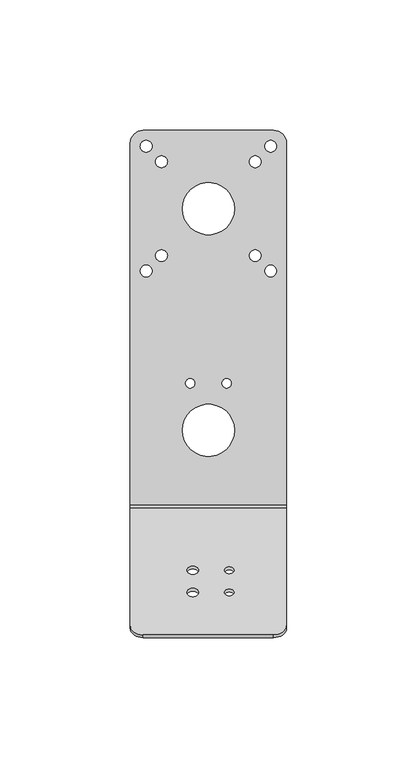
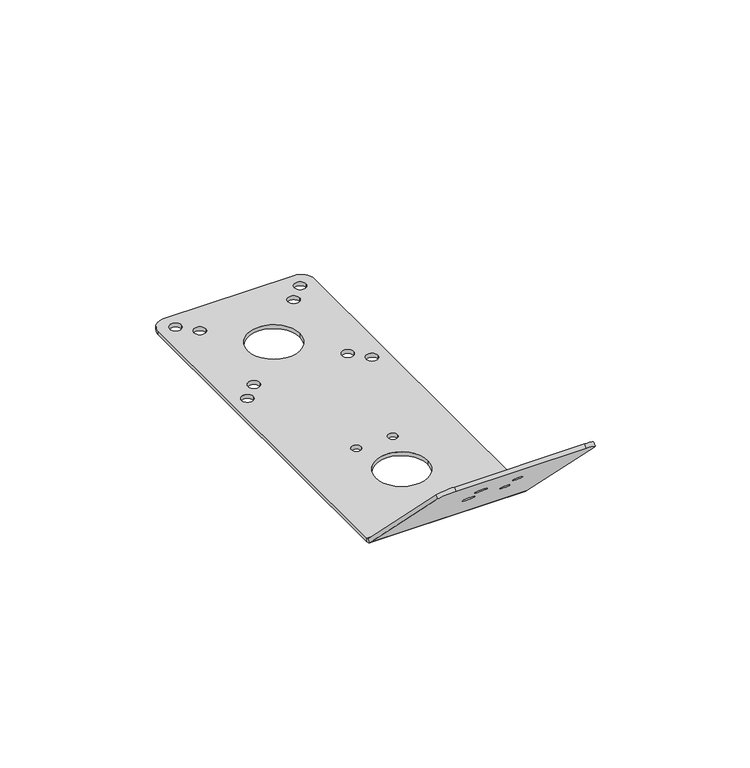
"""IFC4 building model written with IfcOpenShell, lengths in millimetres: proxy geometry."""

import ifcopenshell
import ifcopenshell.guid

model = None  # the IFC model being written
_history = None  # IfcOwnerHistory: only IFC2X3 demands one
_inside = {}  # id of a spatial element -> (the spatial element, [elements in it])
_under = {}  # id of a project, library or spatial element -> (it, [spatial elements below it])
_declared = {}  # id of a project -> (the project, [libraries it declares])
_typed = {}  # id of a type object -> (the type object, [elements of that type])
_made_of = {}  # id of a material, layer set ... -> (it, [elements and type objects made of it])


def new_model(schema):
    """Start an empty IFC model of exactly this schema.

    Asked for "IFC4X3", IfcOpenShell would pick the latest addendum, in which some entities
    have other attributes; the version numbers below select the first issue.
    IFC2X3 requires an IfcOwnerHistory on every rooted entity: one is made here for all.
    """
    global model, _history
    if schema == "IFC4X3":
        model = ifcopenshell.file(schema_version=(4, 3, 0, 0))
    else:
        model = ifcopenshell.file(schema=schema)
    _inside.clear()
    _under.clear()
    _declared.clear()
    _typed.clear()
    _made_of.clear()
    _history = None
    if model.schema == "IFC2X3":
        org = make("IfcOrganization", Name="unknown")
        user = make(
            "IfcPersonAndOrganization",
            ThePerson=make("IfcPerson", FamilyName="unknown"),
            TheOrganization=org,
        )
        app = make(
            "IfcApplication",
            ApplicationDeveloper=org,
            Version="unknown",
            ApplicationFullName="unknown",
            ApplicationIdentifier="unknown",
        )
        _history = make(
            "IfcOwnerHistory",
            OwningUser=user,
            OwningApplication=app,
            ChangeAction="ADDED",
            CreationDate=0,
        )
    return model


def make(cls, **values):
    """One entity of the class cls with the attributes given. An attribute that is None is left unset."""
    return model.create_entity(
        cls, **{name: value for name, value in values.items() if value is not None}
    )


def rooted(cls, **values):
    """An entity with a GlobalId (a new one), such as an element, a storey or a relation."""
    return make(cls, GlobalId=ifcopenshell.guid.new(), OwnerHistory=_history, **values)


def si_unit(unit_type, name, prefix=None):
    """IfcSIUnit, for example si_unit("LENGTHUNIT", "METRE", prefix="MILLI")."""
    return make("IfcSIUnit", UnitType=unit_type, Prefix=prefix, Name=name)


def assignment(units):
    """IfcUnitAssignment: the units of a project."""
    return None if units is None else make("IfcUnitAssignment", Units=units)


def point(xyz):
    """IfcCartesianPoint."""
    return None if xyz is None else make("IfcCartesianPoint", Coordinates=xyz)


def direction(xyz):
    """IfcDirection."""
    return None if xyz is None else make("IfcDirection", DirectionRatios=xyz)


def frame(location, z_axis=None, x_axis=None):
    """IfcAxis2Placement3D, a coordinate frame: its origin and axes. An axis left out is left unset."""
    return make(
        "IfcAxis2Placement3D",
        Location=point(location),
        Axis=direction(z_axis),
        RefDirection=direction(x_axis),
    )


def origin():
    """The frame at (0, 0, 0) with its axes left unset."""
    return frame((0.0, 0.0, 0.0))


def place(relative_to, where):
    """IfcLocalPlacement: puts the frame where relative to a parent placement (None: the world)."""
    return make(
        "IfcLocalPlacement", PlacementRelTo=relative_to, RelativePlacement=where
    )


def context(
    kind, dimensions, precision=None, world=None, true_north=None, identifier=None
):
    """IfcGeometricRepresentationContext, for example the 3D "Model" context."""
    return make(
        "IfcGeometricRepresentationContext",
        ContextIdentifier=identifier,
        ContextType=kind,
        CoordinateSpaceDimension=dimensions,
        Precision=precision,
        WorldCoordinateSystem=world,
        TrueNorth=true_north,
    )


def project(units=None, contexts=None):
    """IfcProject with its units and contexts."""
    return rooted(
        "IfcProject",
        Name="project",
        RepresentationContexts=contexts,
        UnitsInContext=assignment(units),
    )


def spatial(cls, under=None, at=None, **own):
    """A site, building, storey or space (cls), placed at a placement, below another one or the project."""
    s = rooted(cls, ObjectPlacement=at, **own)
    if under is not None:
        _under.setdefault(under.id(), (under, []))[1].append(s)
    return s


def polyline(points):
    """IfcPolyline through the points."""
    return make("IfcPolyline", Points=[point(p) for p in points])


def circle_curve(where, radius):
    """IfcCircle in the frame where."""
    return make("IfcCircle", Position=where, Radius=radius)


def shape(context_of_items, identifier, shape_type, items):
    """IfcShapeRepresentation: the items that make up one representation, for example the "Body"."""
    return make(
        "IfcShapeRepresentation",
        ContextOfItems=context_of_items,
        RepresentationIdentifier=identifier,
        RepresentationType=shape_type,
        Items=items,
    )


def source(mapping_origin, context_of_items, identifier, shape_type, items):
    """IfcRepresentationMap: a shape defined once, which mapped items show again and again."""
    return make(
        "IfcRepresentationMap",
        MappingOrigin=mapping_origin,
        MappedRepresentation=shape(context_of_items, identifier, shape_type, items),
    )


def transform(
    local_origin,
    x_axis=None,
    y_axis=None,
    z_axis=None,
    scale=None,
    scale2=None,
    scale3=None,
    uniform=True,
):
    """IfcCartesianTransformationOperator3D, or its non-uniform kind. x_axis, y_axis, z_axis: its Axis1, 2, 3."""
    if uniform:
        return make(
            "IfcCartesianTransformationOperator3D",
            Axis1=direction(x_axis),
            Axis2=direction(y_axis),
            LocalOrigin=point(local_origin),
            Scale=scale,
            Axis3=direction(z_axis),
        )
    return make(
        "IfcCartesianTransformationOperator3DnonUniform",
        Axis1=direction(x_axis),
        Axis2=direction(y_axis),
        LocalOrigin=point(local_origin),
        Scale=scale,
        Axis3=direction(z_axis),
        Scale2=scale2,
        Scale3=scale3,
    )


def mapped(mapping_source, mapping_target):
    """IfcMappedItem: shows the shape of a source again, moved by a transform."""
    return make(
        "IfcMappedItem", MappingSource=mapping_source, MappingTarget=mapping_target
    )


def made_of(thing, what):
    """Note that an element or type object is made of a material, layer set ...; save() writes the relation."""
    if what is not None:
        _made_of.setdefault(what.id(), (what, []))[1].append(thing)
    return thing


def element(
    cls,
    number,
    at=None,
    inside=None,
    cuts=None,
    type_object=None,
    material=None,
    context=None,
    identifier="Body",
    shape_type=None,
    held_by="IfcProductDefinitionShape",
    body=None,
    shapes=None,
    **own,
):
    """One element of the class cls, such as IfcWall. Its Tag is "e" and its number.

    at: its placement. inside: the storey or other place that contains it. cuts: it is an
    opening in that element (IfcRelVoidsElement). A single representation is given by context,
    identifier, shape_type and body (its items); several are given by shapes. held_by: the class
    of the entity that holds the representations. save() writes the other relations.
    """
    e = rooted(cls, Tag="e%d" % number, ObjectPlacement=at, **own)
    if body is not None:
        shapes = [shape(context, identifier, shape_type, body)]
    if shapes is not None:
        e.Representation = make(held_by, Representations=shapes)
    if inside is not None:
        _inside.setdefault(inside.id(), (inside, []))[1].append(e)
    if cuts is not None:
        rooted(
            "IfcRelVoidsElement", RelatingBuildingElement=cuts, RelatedOpeningElement=e
        )
    if type_object is not None:
        _typed.setdefault(type_object.id(), (type_object, []))[1].append(e)
    return made_of(e, material)


def aggregate(whole, parts):
    """IfcRelAggregates: a whole, such as a stair, and the parts it consists of."""
    return rooted("IfcRelAggregates", RelatingObject=whole, RelatedObjects=parts)


def save(model, path):
    """Write the relations noted so far, then the file.

    IfcRelAggregates (storeys below a building ...), IfcRelContainedInSpatialStructure (elements
    in a storey), IfcRelDefinesByType, IfcRelAssociatesMaterial and IfcRelDeclares: one each for
    every whole, place, type object, material and project.
    """
    for whole, parts in _under.values():
        aggregate(whole, parts)
    for where, things in _inside.values():
        rooted(
            "IfcRelContainedInSpatialStructure",
            RelatedElements=things,
            RelatingStructure=where,
        )
    for kind, things in _typed.values():
        rooted("IfcRelDefinesByType", RelatedObjects=things, RelatingType=kind)
    for what, things in _made_of.values():
        rooted("IfcRelAssociatesMaterial", RelatedObjects=things, RelatingMaterial=what)
    for by, libraries in _declared.values():
        rooted("IfcRelDeclares", RelatingContext=by, RelatedDefinitions=libraries)
    model.write(path)


def plane_surface(at):
    """IfcPlane: the flat surface through the origin of the frame at, square to its z axis."""
    return make("IfcPlane", Position=at)


def cylinder_surface(at, radius):
    """IfcCylindricalSurface: all points at the distance radius from the z axis of the frame at."""
    return make("IfcCylindricalSurface", Position=at, Radius=radius)


def revolved_surface(curve, axis_point, axis_direction):
    """IfcSurfaceOfRevolution: the curve turned about the line through axis_point along axis_direction."""
    return make(
        "IfcSurfaceOfRevolution",
        SweptCurve=make("IfcArbitraryOpenProfileDef", ProfileType="CURVE", Curve=curve),
        AxisPosition=make("IfcAxis1Placement", Location=point(axis_point), Axis=direction(axis_direction)),
    )


def advanced_brep(points, edges, surfaces, faces):
    """IfcAdvancedBrep: a solid bounded by faces that lie on surfaces and meet in shared edges.

    An edge is (start, end): straight between two places in points (the first is 0);
    or (start, end, curve); or (start, end, curve, False) where it runs against its curve.
    A face is (place in surfaces, loops), or (place, loops, False) where it looks against
    its surface's normal. A loop lists edges by number (the first is 1), with a minus sign
    where the edge is run from its end to its start. The first loop is the outer one.
    """
    corners = [point(p) for p in points]
    vertices = [make("IfcVertexPoint", VertexGeometry=c) for c in corners]
    made = []
    for start, end, *more in edges:
        made.append(
            make(
                "IfcEdgeCurve",
                EdgeStart=vertices[start],
                EdgeEnd=vertices[end],
                EdgeGeometry=more[0] if more else make("IfcPolyline", Points=[corners[start], corners[end]]),
                SameSense=more[1] if len(more) > 1 else True,
            )
        )
    hull = []
    for where, loops, *sense in faces:
        bounds = []
        for j, loop in enumerate(loops):
            ring = [make("IfcOrientedEdge", EdgeElement=made[abs(k) - 1], Orientation=k > 0) for k in loop]
            bounds.append(
                make(
                    "IfcFaceOuterBound" if j == 0 else "IfcFaceBound",
                    Bound=make("IfcEdgeLoop", EdgeList=ring),
                    Orientation=True,
                )
            )
        hull.append(make("IfcAdvancedFace", Bounds=bounds, FaceSurface=surfaces[where], SameSense=sense[0] if sense else True))
    return make("IfcAdvancedBrep", Outer=make("IfcClosedShell", CfsFaces=hull))


def generic_models_19bd713d(model_context):
    return source(origin(), model_context, "Body", "AdvancedBrep", [
        advanced_brep(
        [(-8.8, 18.0, 1.5), (-8.8, 18.0, 0.0), (-5.2, 18.0, 0.0), (-5.2, 18.0, 1.5), (5.2, 18.0, 1.5), (5.2, 18.0, 0.0), (8.8, 18.0, 0.0), (8.8, 18.0, 1.5), (-20.25, 103.0, 1.5), (-20.25, 103.0, 0.0), (-15.75, 103.0, 0.0), (-15.75, 103.0, 1.5), (15.75, 103.0, 1.5), (15.75, 103.0, 0.0), (20.25, 103.0, 0.0), (20.25, 103.0, 1.5), (15.75, 67.0, 1.5), (15.75, 67.0, 0.0), (20.25, 67.0, 0.0), (20.25, 67.0, 1.5), (-20.25, 67.0, 1.5), (-20.25, 67.0, 0.0), (-15.75, 67.0, 0.0), (-15.75, 67.0, 1.5), (-26.15, 108.9, 1.5), (-26.15, 108.9, 0.0), (-21.65, 108.9, 0.0), (-21.65, 108.9, 1.5), (21.65, 108.9, 1.5), (21.65, 108.9, 0.0), (26.15, 108.9, 0.0), (26.15, 108.9, 1.5), (21.65, 61.1, 1.5), (21.65, 61.1, 0.0), (26.15, 61.1, 0.0), (26.15, 61.1, 1.5), (-26.15, 61.1, 1.5), (-26.15, 61.1, 0.0), (-21.65, 61.1, 0.0), (-21.65, 61.1, 1.5), (-10.0, 0.0, 1.5), (-10.0, 0.0, 0.0), (10.0, 0.0, 0.0), (10.0, 0.0, 1.5), (-10.0, 85.0, 1.5), (-10.0, 85.0, 0.0), (10.0, 85.0, 0.0), (10.0, 85.0, 1.5), (-8.25, -54.7487373, 24.7487373), (-8.25, -53.6880772, 25.8093975), (-3.75, -53.6880772, 25.8093975), (-3.75, -54.7487373, 24.7487373), (6.2, -54.7487373, 24.7487373), (6.2, -53.6880772, 25.8093975), (9.8, -53.6880772, 25.8093975), (9.8, -54.7487373, 24.7487373), (-8.25, -63.2340187, 33.2340187), (-8.25, -62.1733585, 34.2946789), (-3.75, -62.1733585, 34.2946789), (-3.75, -63.2340187, 33.2340187), (6.2, -63.2340187, 33.2340187), (6.2, -62.1733585, 34.2946789), (9.8, -62.1733585, 34.2946789), (9.8, -63.2340187, 33.2340187), (25.0, -79.4974747, 49.4974747), (30.0, -75.9619408, 45.9619408), (30.0, -74.9012806, 47.0226009), (25.0, -78.4368145, 50.5581349), (-25.0, -78.4368145, 50.5581349), (-25.0, -79.4974747, 49.4974747), (30.0, -29.8180195, 1.9393398), (-30.0, -29.8180195, 1.9393398), (-30.0, -74.9012806, 47.0226009), (-30.0, -75.9619408, 45.9619408), (-30.0, -30.8786797, 0.8786797), (30.0, -30.8786797, 0.8786797), (-30.0, -28.7573593, 0.0), (30.0, -28.7573593, 0.0), (-30.0, -28.7573593, 1.5), (30.0, -28.7573593, 1.5), (30.0, 110.0, 1.5), (25.0, 115.0, 1.5), (-25.0, 115.0, 1.5), (-30.0, 110.0, 1.5), (30.0, 110.0, 0.0), (25.0, 115.0, 0.0), (-25.0, 115.0, 0.0), (-30.0, 110.0, 0.0)],
        [
            (0, 1),
            (1, 2, circle_curve(frame((-7.0, 18.0, 0.0), z_axis=(0.0, 0.0, -1.0), x_axis=(-1.0, 0.0, 0.0)), 1.8)),
            (2, 3),
            (3, 0, circle_curve(frame((-7.0, 18.0, 1.5), z_axis=(0.0, 0.0, 1.0), x_axis=(-1.0, 0.0, 0.0)), 1.8)),
            (4, 5),
            (5, 6, circle_curve(frame((7.0, 18.0, 0.0), z_axis=(0.0, 0.0, -1.0), x_axis=(-1.0, 0.0, 0.0)), 1.8)),
            (6, 7),
            (7, 4, circle_curve(frame((7.0, 18.0, 1.5), z_axis=(0.0, 0.0, 1.0), x_axis=(-1.0, 0.0, 0.0)), 1.8)),
            (8, 9),
            (9, 10, circle_curve(frame((-18.0, 103.0, 0.0), z_axis=(0.0, 0.0, -1.0), x_axis=(-1.0, 0.0, 0.0)), 2.25)),
            (10, 11),
            (11, 8, circle_curve(frame((-18.0, 103.0, 1.5), z_axis=(0.0, 0.0, 1.0), x_axis=(-1.0, 0.0, 0.0)), 2.25)),
            (12, 13),
            (13, 14, circle_curve(frame((18.0, 103.0, 0.0), z_axis=(0.0, 0.0, -1.0), x_axis=(-1.0, 0.0, 0.0)), 2.25)),
            (14, 15),
            (15, 12, circle_curve(frame((18.0, 103.0, 1.5), z_axis=(0.0, 0.0, 1.0), x_axis=(-1.0, 0.0, 0.0)), 2.25)),
            (16, 17),
            (17, 18, circle_curve(frame((18.0, 67.0, 0.0), z_axis=(0.0, 0.0, -1.0), x_axis=(-1.0, 0.0, 0.0)), 2.25)),
            (18, 19),
            (19, 16, circle_curve(frame((18.0, 67.0, 1.5), z_axis=(0.0, 0.0, 1.0), x_axis=(-1.0, 0.0, 0.0)), 2.25)),
            (20, 21),
            (21, 22, circle_curve(frame((-18.0, 67.0, 0.0), z_axis=(0.0, 0.0, -1.0), x_axis=(-1.0, 0.0, 0.0)), 2.25)),
            (22, 23),
            (23, 20, circle_curve(frame((-18.0, 67.0, 1.5), z_axis=(0.0, 0.0, 1.0), x_axis=(-1.0, 0.0, 0.0)), 2.25)),
            (24, 25),
            (25, 26, circle_curve(frame((-23.9, 108.9, 0.0), z_axis=(0.0, 0.0, -1.0), x_axis=(-1.0, 0.0, 0.0)), 2.25)),
            (26, 27),
            (27, 24, circle_curve(frame((-23.9, 108.9, 1.5), z_axis=(0.0, 0.0, 1.0), x_axis=(-1.0, 0.0, 0.0)), 2.25)),
            (28, 29),
            (29, 30, circle_curve(frame((23.9, 108.9, 0.0), z_axis=(0.0, 0.0, -1.0), x_axis=(-1.0, 0.0, 0.0)), 2.25)),
            (30, 31),
            (31, 28, circle_curve(frame((23.9, 108.9, 1.5), z_axis=(0.0, 0.0, 1.0), x_axis=(-1.0, 0.0, 0.0)), 2.25)),
            (32, 33),
            (33, 34, circle_curve(frame((23.9, 61.1, 0.0), z_axis=(0.0, 0.0, -1.0), x_axis=(-1.0, 0.0, 0.0)), 2.25)),
            (34, 35),
            (35, 32, circle_curve(frame((23.9, 61.1, 1.5), z_axis=(0.0, 0.0, 1.0), x_axis=(-1.0, 0.0, 0.0)), 2.25)),
            (36, 37),
            (37, 38, circle_curve(frame((-23.9, 61.1, 0.0), z_axis=(0.0, 0.0, -1.0), x_axis=(-1.0, 0.0, 0.0)), 2.25)),
            (38, 39),
            (39, 36, circle_curve(frame((-23.9, 61.1, 1.5), z_axis=(0.0, 0.0, 1.0), x_axis=(-1.0, 0.0, 0.0)), 2.25)),
            (40, 41),
            (41, 42, circle_curve(frame((0.0, 0.0, 0.0), z_axis=(0.0, 0.0, -1.0), x_axis=(-1.0, 0.0, 0.0)), 10.0)),
            (42, 43),
            (43, 40, circle_curve(frame((0.0, 0.0, 1.5), z_axis=(0.0, 0.0, 1.0), x_axis=(-1.0, 0.0, 0.0)), 10.0)),
            (44, 45),
            (45, 46, circle_curve(frame((0.0, 85.0, 0.0), z_axis=(0.0, 0.0, -1.0), x_axis=(-1.0, 0.0, 0.0)), 10.0)),
            (46, 47),
            (47, 44, circle_curve(frame((0.0, 85.0, 1.5), z_axis=(0.0, 0.0, 1.0), x_axis=(-1.0, 0.0, 0.0)), 10.0)),
            (48, 49),
            (49, 50, circle_curve(frame((-6.0, -53.6880772, 25.8093975), z_axis=(0.0, 0.7071067811865505, 0.7071067811865446), x_axis=(-1.0, 0.0, 0.0)), 2.25)),
            (50, 51),
            (51, 48, circle_curve(frame((-6.0, -54.7487373, 24.7487373), z_axis=(0.0, -0.7071067811865505, -0.7071067811865446), x_axis=(-1.0, 0.0, 0.0)), 2.25)),
            (52, 53),
            (53, 54, circle_curve(frame((8.0, -53.6880772, 25.8093975), z_axis=(0.0, 0.7071067811865505, 0.7071067811865446), x_axis=(-1.0, 0.0, 0.0)), 1.8)),
            (54, 55),
            (55, 52, circle_curve(frame((8.0, -54.7487373, 24.7487373), z_axis=(0.0, -0.7071067811865505, -0.7071067811865446), x_axis=(-1.0, 0.0, 0.0)), 1.8)),
            (56, 57),
            (57, 58, circle_curve(frame((-6.0, -62.1733585, 34.2946789), z_axis=(0.0, 0.7071067811865505, 0.7071067811865446), x_axis=(-1.0, 0.0, 0.0)), 2.25)),
            (58, 59),
            (59, 56, circle_curve(frame((-6.0, -63.2340187, 33.2340187), z_axis=(0.0, -0.7071067811865505, -0.7071067811865446), x_axis=(-1.0, 0.0, 0.0)), 2.25)),
            (60, 61),
            (61, 62, circle_curve(frame((8.0, -62.1733585, 34.2946789), z_axis=(0.0, 0.7071067811865505, 0.7071067811865446), x_axis=(-1.0, 0.0, 0.0)), 1.8)),
            (62, 63),
            (63, 60, circle_curve(frame((8.0, -63.2340187, 33.2340187), z_axis=(0.0, -0.7071067811865505, -0.7071067811865446), x_axis=(-1.0, 0.0, 0.0)), 1.8)),
            (60, 63, circle_curve(frame((8.0, -63.2340187, 33.2340187), z_axis=(0.0, -0.7071067811865505, -0.7071067811865446), x_axis=(-1.0, 0.0, 0.0)), 1.8)),
            (62, 61, circle_curve(frame((8.0, -62.1733585, 34.2946789), z_axis=(0.0, 0.7071067811865505, 0.7071067811865446), x_axis=(-1.0, 0.0, 0.0)), 1.8)),
            (56, 59, circle_curve(frame((-6.0, -63.2340187, 33.2340187), z_axis=(0.0, -0.7071067811865505, -0.7071067811865446), x_axis=(-1.0, 0.0, 0.0)), 2.25)),
            (58, 57, circle_curve(frame((-6.0, -62.1733585, 34.2946789), z_axis=(0.0, 0.7071067811865505, 0.7071067811865446), x_axis=(-1.0, 0.0, 0.0)), 2.25)),
            (52, 55, circle_curve(frame((8.0, -54.7487373, 24.7487373), z_axis=(0.0, -0.7071067811865505, -0.7071067811865446), x_axis=(-1.0, 0.0, 0.0)), 1.8)),
            (54, 53, circle_curve(frame((8.0, -53.6880772, 25.8093975), z_axis=(0.0, 0.7071067811865505, 0.7071067811865446), x_axis=(-1.0, 0.0, 0.0)), 1.8)),
            (48, 51, circle_curve(frame((-6.0, -54.7487373, 24.7487373), z_axis=(0.0, -0.7071067811865505, -0.7071067811865446), x_axis=(-1.0, 0.0, 0.0)), 2.25)),
            (50, 49, circle_curve(frame((-6.0, -53.6880772, 25.8093975), z_axis=(0.0, 0.7071067811865505, 0.7071067811865446), x_axis=(-1.0, 0.0, 0.0)), 2.25)),
            (64, 65, circle_curve(frame((25.0, -75.9619408, 45.9619408), z_axis=(0.0, 0.7071067811865493, 0.7071067811865457), x_axis=(0.7071067811865472, -0.49999999999999883, 0.5000000000000013)), 5.0)),
            (65, 66),
            (66, 67, circle_curve(frame((25.0, -74.9012806, 47.0226009), z_axis=(0.0, -0.7071067811865493, -0.7071067811865457), x_axis=(0.7071067811865472, -0.49999999999999883, 0.5000000000000013)), 5.0)),
            (67, 64),
            (67, 68),
            (68, 69),
            (69, 64),
            (66, 70),
            (70, 71),
            (71, 72),
            (72, 68, circle_curve(frame((-25.0, -74.9012806, 47.0226009), z_axis=(0.0, 0.7071067811865493, 0.7071067811865457), x_axis=(-0.7071067811865472, -0.49999999999999883, 0.5000000000000013)), 5.0)),
            (73, 69, circle_curve(frame((-25.0, -75.9619408, 45.9619408), z_axis=(0.0, 0.7071067811865493, 0.7071067811865457), x_axis=(-0.7071067811865472, -0.49999999999999883, 0.5000000000000013)), 5.0)),
            (72, 73),
            (71, 74),
            (74, 73),
            (75, 74),
            (74, 76, circle_curve(frame((-30.0, -28.7573593, 3.0), z_axis=(1.0, 0.0, 0.0), x_axis=(0.0, 0.0, -1.0)), 3.0)),
            (76, 77),
            (77, 75, circle_curve(frame((30.0, -28.7573593, 3.0), z_axis=(-1.0, 0.0, 0.0), x_axis=(0.0, 0.0, -1.0)), 3.0)),
            (65, 75),
            (75, 70),
            (71, 78, circle_curve(frame((-30.0, -28.7573593, 3.0), z_axis=(1.0, 0.0, 0.0), x_axis=(0.0, 0.0, -1.0)), 1.5)),
            (78, 76),
            (77, 79),
            (79, 70, circle_curve(frame((30.0, -28.7573593, 3.0), z_axis=(-1.0, 0.0, 0.0), x_axis=(0.0, 0.0, -1.0)), 1.5)),
            (79, 78),
            (79, 80),
            (80, 81, circle_curve(frame((25.0, 110.0, 1.5), z_axis=(0.0, 0.0, 1.0), x_axis=(0.7071067811865475, 0.7071067811865475, 0.0)), 5.0)),
            (81, 82),
            (82, 83, circle_curve(frame((-25.0, 110.0, 1.5), z_axis=(0.0, 0.0, 1.0), x_axis=(-0.7071067811865475, 0.7071067811865475, 0.0)), 5.0)),
            (83, 78),
            (3, 0, circle_curve(frame((-7.0, 18.0, 1.5), z_axis=(0.0, 0.0, -1.0), x_axis=(-1.0, 0.0, 0.0)), 1.8)),
            (7, 4, circle_curve(frame((7.0, 18.0, 1.5), z_axis=(0.0, 0.0, -1.0), x_axis=(-1.0, 0.0, 0.0)), 1.8)),
            (11, 8, circle_curve(frame((-18.0, 103.0, 1.5), z_axis=(0.0, 0.0, -1.0), x_axis=(-1.0, 0.0, 0.0)), 2.25)),
            (15, 12, circle_curve(frame((18.0, 103.0, 1.5), z_axis=(0.0, 0.0, -1.0), x_axis=(-1.0, 0.0, 0.0)), 2.25)),
            (19, 16, circle_curve(frame((18.0, 67.0, 1.5), z_axis=(0.0, 0.0, -1.0), x_axis=(-1.0, 0.0, 0.0)), 2.25)),
            (23, 20, circle_curve(frame((-18.0, 67.0, 1.5), z_axis=(0.0, 0.0, -1.0), x_axis=(-1.0, 0.0, 0.0)), 2.25)),
            (27, 24, circle_curve(frame((-23.9, 108.9, 1.5), z_axis=(0.0, 0.0, -1.0), x_axis=(-1.0, 0.0, 0.0)), 2.25)),
            (31, 28, circle_curve(frame((23.9, 108.9, 1.5), z_axis=(0.0, 0.0, -1.0), x_axis=(-1.0, 0.0, 0.0)), 2.25)),
            (35, 32, circle_curve(frame((23.9, 61.1, 1.5), z_axis=(0.0, 0.0, -1.0), x_axis=(-1.0, 0.0, 0.0)), 2.25)),
            (39, 36, circle_curve(frame((-23.9, 61.1, 1.5), z_axis=(0.0, 0.0, -1.0), x_axis=(-1.0, 0.0, 0.0)), 2.25)),
            (43, 40, circle_curve(frame((0.0, 0.0, 1.5), z_axis=(0.0, 0.0, -1.0), x_axis=(-1.0, 0.0, 0.0)), 10.0)),
            (47, 44, circle_curve(frame((0.0, 85.0, 1.5), z_axis=(0.0, 0.0, -1.0), x_axis=(-1.0, 0.0, 0.0)), 10.0)),
            (80, 84),
            (84, 85, circle_curve(frame((25.0, 110.0, 0.0), z_axis=(0.0, 0.0, 1.0), x_axis=(0.7071067811865475, 0.7071067811865475, 0.0)), 5.0)),
            (85, 81),
            (77, 84),
            (82, 86),
            (86, 87, circle_curve(frame((-25.0, 110.0, 0.0), z_axis=(0.0, 0.0, 1.0), x_axis=(-0.7071067811865475, 0.7071067811865475, 0.0)), 5.0)),
            (87, 83),
            (87, 76),
            (46, 45, circle_curve(frame((0.0, 85.0, 0.0), z_axis=(0.0, 0.0, -1.0), x_axis=(-1.0, 0.0, 0.0)), 10.0)),
            (42, 41, circle_curve(frame((0.0, 0.0, 0.0), z_axis=(0.0, 0.0, -1.0), x_axis=(-1.0, 0.0, 0.0)), 10.0)),
            (38, 37, circle_curve(frame((-23.9, 61.1, 0.0), z_axis=(0.0, 0.0, -1.0), x_axis=(-1.0, 0.0, 0.0)), 2.25)),
            (34, 33, circle_curve(frame((23.9, 61.1, 0.0), z_axis=(0.0, 0.0, -1.0), x_axis=(-1.0, 0.0, 0.0)), 2.25)),
            (30, 29, circle_curve(frame((23.9, 108.9, 0.0), z_axis=(0.0, 0.0, -1.0), x_axis=(-1.0, 0.0, 0.0)), 2.25)),
            (26, 25, circle_curve(frame((-23.9, 108.9, 0.0), z_axis=(0.0, 0.0, -1.0), x_axis=(-1.0, 0.0, 0.0)), 2.25)),
            (22, 21, circle_curve(frame((-18.0, 67.0, 0.0), z_axis=(0.0, 0.0, -1.0), x_axis=(-1.0, 0.0, 0.0)), 2.25)),
            (18, 17, circle_curve(frame((18.0, 67.0, 0.0), z_axis=(0.0, 0.0, -1.0), x_axis=(-1.0, 0.0, 0.0)), 2.25)),
            (14, 13, circle_curve(frame((18.0, 103.0, 0.0), z_axis=(0.0, 0.0, -1.0), x_axis=(-1.0, 0.0, 0.0)), 2.25)),
            (10, 9, circle_curve(frame((-18.0, 103.0, 0.0), z_axis=(0.0, 0.0, -1.0), x_axis=(-1.0, 0.0, 0.0)), 2.25)),
            (6, 5, circle_curve(frame((7.0, 18.0, 0.0), z_axis=(0.0, 0.0, -1.0), x_axis=(-1.0, 0.0, 0.0)), 1.8)),
            (2, 1, circle_curve(frame((-7.0, 18.0, 0.0), z_axis=(0.0, 0.0, -1.0), x_axis=(-1.0, 0.0, 0.0)), 1.8)),
            (85, 86),
        ],
        [
            revolved_surface(polyline([(-8.8, 18.0, 1.5), (-8.8, 18.0, 0.0)]), (-7.0, 18.0, 0.0), (0.0, 0.0, 1.0)),
            revolved_surface(polyline([(5.2, 18.0, 1.5), (5.2, 18.0, 0.0)]), (7.0, 18.0, 0.0), (0.0, 0.0, 1.0)),
            revolved_surface(polyline([(-20.25, 103.0, 1.5), (-20.25, 103.0, 0.0)]), (-18.0, 103.0, 0.0), (0.0, 0.0, 1.0)),
            revolved_surface(polyline([(15.75, 103.0, 1.5), (15.75, 103.0, 0.0)]), (18.0, 103.0, 0.0), (0.0, 0.0, 1.0)),
            revolved_surface(polyline([(15.75, 67.0, 1.5), (15.75, 67.0, 0.0)]), (18.0, 67.0, 0.0), (0.0, 0.0, 1.0)),
            revolved_surface(polyline([(-20.25, 67.0, 1.5), (-20.25, 67.0, 0.0)]), (-18.0, 67.0, 0.0), (0.0, 0.0, 1.0)),
            revolved_surface(polyline([(-26.15, 108.9, 1.5), (-26.15, 108.9, 0.0)]), (-23.9, 108.9, 0.0), (0.0, 0.0, 1.0)),
            revolved_surface(polyline([(21.65, 108.9, 1.5), (21.65, 108.9, 0.0)]), (23.9, 108.9, 0.0), (0.0, 0.0, 1.0)),
            revolved_surface(polyline([(21.65, 61.1, 1.5), (21.65, 61.1, 0.0)]), (23.9, 61.1, 0.0), (0.0, 0.0, 1.0)),
            revolved_surface(polyline([(-26.15, 61.1, 1.5), (-26.15, 61.1, 0.0)]), (-23.9, 61.1, 0.0), (0.0, 0.0, 1.0)),
            revolved_surface(polyline([(-10.0, 0.0, 1.5), (-10.0, 0.0, 0.0)]), (0.0, 0.0, 0.0), (0.0, 0.0, 1.0)),
            revolved_surface(polyline([(-10.0, 85.0, 1.5), (-10.0, 85.0, 0.0)]), (0.0, 85.0, 0.0), (0.0, 0.0, 1.0)),
            revolved_surface(polyline([(-8.25, -54.748737350000006, 24.748737350000003), (-8.25, -53.6880772, 25.8093975)]), (-6.0, -53.6880772, 25.8093975), (0.0, -0.7071067811865505, -0.7071067811865446)),
            revolved_surface(polyline([(6.2, -54.748737350000006, 24.748737350000003), (6.2, -53.6880772, 25.8093975)]), (8.0, -53.6880772, 25.8093975), (0.0, -0.7071067811865505, -0.7071067811865446)),
            revolved_surface(polyline([(-8.25, -63.23401870000001, 33.23401870000001), (-8.25, -62.1733585, 34.2946789)]), (-6.0, -62.1733585, 34.2946789), (0.0, -0.7071067811865505, -0.7071067811865446)),
            revolved_surface(polyline([(6.2, -63.23401870000001, 33.23401870000001), (6.2, -62.1733585, 34.2946789)]), (8.0, -62.1733585, 34.2946789), (0.0, -0.7071067811865505, -0.7071067811865446)),
            cylinder_surface(frame((25.0, -74.9012806, 47.0226009), z_axis=(0.0, -0.7071067811865492, -0.7071067811865456), x_axis=(0.7071067811865472, -0.49999999999999883, 0.5000000000000013)), 5.0),
            plane_surface(frame((-30.0, -78.4368145, 50.5581349), z_axis=(0.0, -0.7071067811865457, 0.7071067811865493), x_axis=(0.0, -0.7071067811865493, -0.7071067811865457))),
            plane_surface(frame((0.0, -53.5276278, 25.6489481), z_axis=(0.0, 0.7071067811865493, 0.7071067811865457), x_axis=(1.0, 0.0, 0.0))),
            cylinder_surface(frame((-25.0, -74.9012806, 47.0226009), z_axis=(0.0, -0.7071067811865492, -0.7071067811865456), x_axis=(-0.7071067811865472, -0.49999999999999883, 0.5000000000000013)), 5.0),
            plane_surface(frame((-30.0, -29.8180195, 1.9393398), z_axis=(-1.0, 0.0, 0.0), x_axis=(0.0, 0.7071067811865493, 0.7071067811865457))),
            cylinder_surface(frame((0.0, -28.7573593, 3.0), z_axis=(-1.0, 0.0, 0.0), x_axis=(0.0, 0.0, -1.0)), 3.0),
            plane_surface(frame((30.0, -29.8180195, 1.9393398), z_axis=(1.0, 0.0, 0.0), x_axis=(0.0, -0.7071067811865493, -0.7071067811865457))),
            plane_surface(frame((-30.0, -29.8180195, 1.9393398), z_axis=(-1.0, 0.0, 0.0), x_axis=(0.0, 0.0, 1.0))),
            plane_surface(frame((30.0, -30.8786797, 0.8786797), z_axis=(1.0, 0.0, 0.0), x_axis=(0.0, 0.0, -1.0))),
            plane_surface(frame((0.0, -54.588288, 24.588288), z_axis=(0.0, -0.7071067811865493, -0.7071067811865457), x_axis=(1.0, 0.0, 0.0))),
            revolved_surface(polyline([(-30.0, -28.7573593, 1.5), (30.0, -28.7573593, 1.5)]), (0.0, -28.7573593, 3.0), (-1.0, 0.0, 0.0)),
            plane_surface(frame((0.0, 42.5, 1.5), z_axis=(0.0, 0.0, 1.0), x_axis=(1.0, 0.0, 0.0))),
            cylinder_surface(frame((25.0, 110.0, 0.0), z_axis=(0.0, 0.0, 0.9999999999999998), x_axis=(0.7071067811865475, 0.7071067811865475, 0.0)), 5.0),
            plane_surface(frame((30.0, 115.0, 0.0), z_axis=(1.0, 0.0, 0.0), x_axis=(0.0, 0.0, -1.0))),
            cylinder_surface(frame((-25.0, 110.0, 0.0), z_axis=(0.0, 0.0, 0.9999999999999998), x_axis=(-0.7071067811865475, 0.7071067811865475, 0.0)), 5.0),
            plane_surface(frame((-30.0, -30.0, 0.0), z_axis=(-1.0, 0.0, 0.0), x_axis=(0.0, 0.0, 1.0))),
            plane_surface(frame((-30.0, 115.0, 0.0), z_axis=(0.0, 1.0, 0.0), x_axis=(0.0, 0.0, 1.0))),
            plane_surface(frame((0.0, 42.5, 0.0), z_axis=(0.0, 0.0, -1.0), x_axis=(1.0, 0.0, 0.0))),
        ],
        [
            (0, [[1, 2, 3, 4]]),
            (1, [[5, 6, 7, 8]]),
            (2, [[9, 10, 11, 12]]),
            (3, [[13, 14, 15, 16]]),
            (4, [[17, 18, 19, 20]]),
            (5, [[21, 22, 23, 24]]),
            (6, [[25, 26, 27, 28]]),
            (7, [[29, 30, 31, 32]]),
            (8, [[33, 34, 35, 36]]),
            (9, [[37, 38, 39, 40]]),
            (10, [[41, 42, 43, 44]]),
            (11, [[45, 46, 47, 48]]),
            (12, [[49, 50, 51, 52]]),
            (13, [[53, 54, 55, 56]]),
            (14, [[57, 58, 59, 60]]),
            (15, [[61, 62, 63, 64]]),
            (15, [[-61, 65, -63, 66]]),
            (14, [[-57, 67, -59, 68]]),
            (13, [[-53, 69, -55, 70]]),
            (12, [[-49, 71, -51, 72]]),
            (16, [[73, 74, 75, 76]]),
            (17, [[-76, 77, 78, 79]]),
            (18, [[-75, 80, 81, 82, 83, -77], [-50, -72], [-54, -70], [-58, -68], [-62, -66]]),
            (19, [[84, -78, -83, 85]]),
            (20, [[-85, -82, 86, 87]]),
            (21, [[88, 89, 90, 91]]),
            (22, [[-74, 92, 93, -80]]),
            (23, [[-86, 94, 95, -89]]),
            (24, [[-93, -91, 96, 97]]),
            (25, [[-73, -79, -84, -87, -88, -92], [-65, -64], [-67, -60], [-69, -56], [-71, -52]]),
            (26, [[-81, -97, 98, -94]]),
            (27, [[-98, 99, 100, 101, 102, 103], [104, -4], [105, -8], [106, -12], [107, -16], [108, -20], [109, -24], [110, -28], [111, -32], [112, -36], [113, -40], [114, -44], [115, -48]]),
            (28, [[-100, 116, 117, 118]]),
            (29, [[-96, 119, -116, -99]]),
            (30, [[-102, 120, 121, 122]]),
            (31, [[-95, -103, -122, 123]]),
            (11, [[-45, -115, -47, 124]]),
            (10, [[-41, -114, -43, 125]]),
            (9, [[-37, -113, -39, 126]]),
            (8, [[-33, -112, -35, 127]]),
            (7, [[-29, -111, -31, 128]]),
            (6, [[-25, -110, -27, 129]]),
            (5, [[-21, -109, -23, 130]]),
            (4, [[-17, -108, -19, 131]]),
            (3, [[-13, -107, -15, 132]]),
            (2, [[-9, -106, -11, 133]]),
            (1, [[-5, -105, -7, 134]]),
            (0, [[-1, -104, -3, 135]]),
            (32, [[-118, 136, -120, -101]]),
            (33, [[-90, -123, -121, -136, -117, -119], [-2, -135], [-6, -134], [-10, -133], [-14, -132], [-18, -131], [-22, -130], [-26, -129], [-30, -128], [-34, -127], [-38, -126], [-42, -125], [-46, -124]]),
        ],
    ),
    ])


if __name__ == "__main__":
    model = new_model("IFC4")
    model_context = context("Model", 3, world=origin())
    ifc_project = project(units=[si_unit("LENGTHUNIT", "METRE", prefix="MILLI")], contexts=[model_context])
    site = spatial("IfcSite", under=ifc_project)
    building = spatial("IfcBuilding", under=site)
    placement = place(None, origin())
    generic_models_shape = generic_models_19bd713d(model_context)
    element("IfcBuildingElementProxy", 1, Name="Generic Models", at=placement, inside=building, context=model_context, shape_type="MappedRepresentation", body=[
        mapped(generic_models_shape, transform((0.0, 0.0, 0.0), x_axis=(1.0, 0.0, 0.0), y_axis=(0.0, 1.0, 0.0), z_axis=(0.0, 0.0, 1.0))),
    ])
    save(model, "model.ifc")
